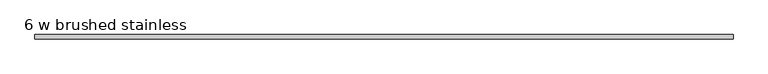
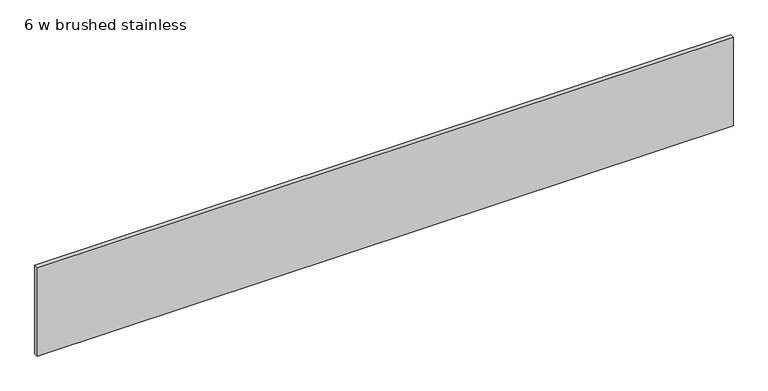
"""IFC4 building model written with IfcOpenShell, lengths in millimetres: furniture geometry, 6 w brushed stainless."""

from ifc_helpers import new_model, si_unit, origin, origin_with_axes, place, context, project, spatial, polyline, outline, extrude, source, transform, mapped, element, save


def furniture_6_w_brushed_stainless_d726e724(model_context):
    return source(origin(), model_context, "Body", "SweptSolid", [
        extrude(outline(polyline([(0.5999988, 0.0), (0.5999988, 10.9999997), (1828.2000366, 10.9999997), (1828.2000366, 0.0), (0.5999988, 0.0)])), origin_with_axes(), (0.0, 0.0, 1.0), 245.349995),
    ])


if __name__ == "__main__":
    model = new_model("IFC4")
    model_context = context("Model", 3, world=origin())
    ifc_project = project(units=[si_unit("LENGTHUNIT", "METRE", prefix="MILLI")], contexts=[model_context])
    site = spatial("IfcSite", under=ifc_project)
    building = spatial("IfcBuilding", under=site)
    placement = place(None, origin())
    furniture_6_w_brushed_stainless_shape = furniture_6_w_brushed_stainless_d726e724(model_context)
    element("IfcFurniture", 1, ObjectType="6 w brushed stainless", at=placement, inside=building, context=model_context, shape_type="MappedRepresentation", body=[
        mapped(furniture_6_w_brushed_stainless_shape, transform((0.0, 0.0, 0.0), x_axis=(1.0, 0.0, 0.0), y_axis=(0.0, 1.0, 0.0), z_axis=(0.0, 0.0, 1.0))),
    ])
    save(model, "model.ifc")
